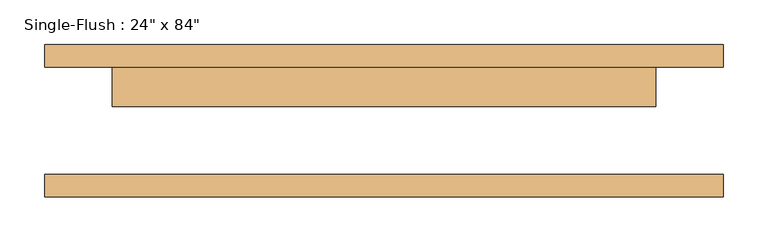
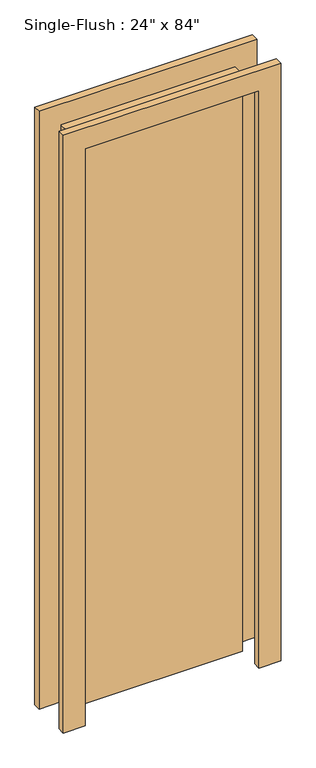
"""IFC4 building model written with IfcOpenShell, lengths in millimetres: door geometry."""

from ifc_helpers import new_model, si_unit, frame, origin, origin_with_axes, place, context, project, spatial, polyline, outline, extrude, source, transform, mapped, element, save


def door_15c216f3(model_context):
    return source(origin(), model_context, "Body", "SweptSolid", [
        extrude(outline(polyline([(2209.8, -381.0), (0.0, -381.0), (0.0, -304.8), (2133.6, -304.8), (2133.6, 304.8), (0.0, 304.8), (0.0, 381.0), (2209.8, 381.0), (2209.8, -381.0)])), frame((0.0, 60.325, 0.0), z_axis=(0.0, 1.0, 0.0), x_axis=(0.0, 0.0, 1.0)), (0.0, 0.0, 1.0), 25.4),
        extrude(outline(polyline([(2209.8, 381.0), (2209.8, -381.0), (0.0, -381.0), (0.0, -304.8), (2133.6, -304.8), (2133.6, 304.8), (0.0, 304.8), (0.0, 381.0), (2209.8, 381.0)])), frame((0.0, -85.725, 0.0), z_axis=(0.0, 1.0, 0.0), x_axis=(0.0, 0.0, 1.0)), (0.0, 0.0, 1.0), 25.4),
        extrude(outline(polyline([(304.8, 15.875), (-304.8, 15.875), (-304.8, 60.325), (304.8, 60.325), (304.8, 15.875)])), origin_with_axes(), (0.0, 0.0, 1.0), 2133.6),
    ])


if __name__ == "__main__":
    model = new_model("IFC4")
    model_context = context("Model", 3, world=origin())
    ifc_project = project(units=[si_unit("LENGTHUNIT", "METRE", prefix="MILLI")], contexts=[model_context])
    site = spatial("IfcSite", under=ifc_project)
    building = spatial("IfcBuilding", under=site)
    placement = place(None, origin())
    door_shape = door_15c216f3(model_context)
    element("IfcDoor", 1, ObjectType="Single-Flush : 24\" x 84\"", at=placement, inside=building, context=model_context, shape_type="MappedRepresentation", body=[
        mapped(door_shape, transform((0.0, 0.0, 0.0), x_axis=(1.0, 0.0, 0.0), y_axis=(0.0, 1.0, 0.0), z_axis=(0.0, 0.0, 1.0))),
    ])
    save(model, "model.ifc")
